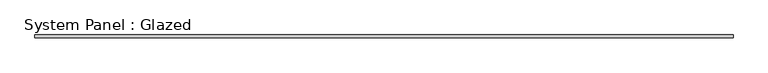
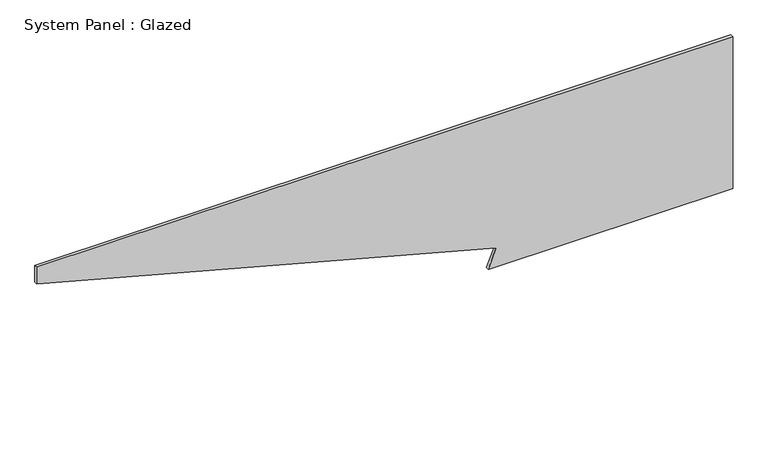
"""IFC4 building model written with IfcOpenShell, lengths in millimetres: plate geometry, System Panel : Glazed."""

from ifc_helpers import new_model, si_unit, frame, origin, place, context, project, spatial, polyline, outline, extrude, source, transform, mapped, element, save


def system_panel_glazed_972700ea(model_context):
    return source(origin(), model_context, "Body", "SweptSolid", [
        extrude(outline(polyline([(0.0, 870.669601), (0.0, 2925.0), (1350.0, 2925.0), (1350.0, -2925.0), (1200.8656494, -2925.0), (166.4814566, 935.3743623), (0.0, 870.669601)])), frame((0.0, -22.5, 0.0), z_axis=(0.0, 1.0, 0.0), x_axis=(0.0, 0.0, 1.0)), (0.0, 0.0, 1.0), 25.0),
    ])


if __name__ == "__main__":
    model = new_model("IFC4")
    model_context = context("Model", 3, world=origin())
    ifc_project = project(units=[si_unit("LENGTHUNIT", "METRE", prefix="MILLI")], contexts=[model_context])
    site = spatial("IfcSite", under=ifc_project)
    building = spatial("IfcBuilding", under=site)
    placement = place(None, origin())
    system_panel_glazed_shape = system_panel_glazed_972700ea(model_context)
    element("IfcPlate", 1, ObjectType="System Panel : Glazed", at=placement, inside=building, context=model_context, shape_type="MappedRepresentation", body=[
        mapped(system_panel_glazed_shape, transform((0.0, 0.0, 0.0), x_axis=(1.0, 0.0, 0.0), y_axis=(0.0, 1.0, 0.0), z_axis=(0.0, 0.0, 1.0))),
    ])
    save(model, "model.ifc")
